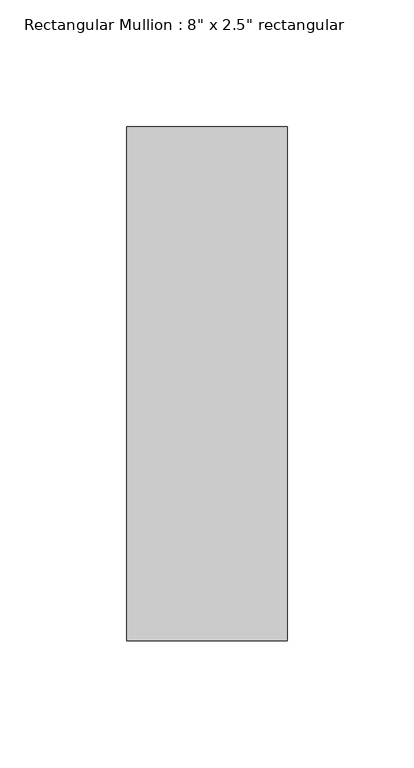
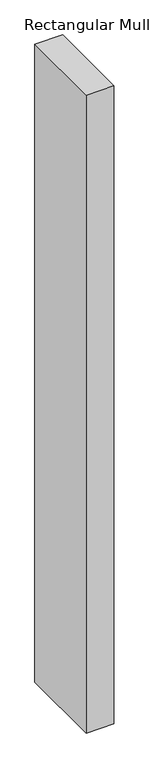
"""IFC4 building model written with IfcOpenShell, lengths in millimetres: member geometry."""

from ifc_helpers import new_model, si_unit, frame, origin, place, context, project, spatial, polyline, outline, extrude, source, transform, mapped, element, save


def member_24b12d42(model_context):
    return source(origin(), model_context, "Body", "SweptSolid", [
        extrude(outline(polyline([(31.75, 114.3), (31.75, -88.9), (-31.75, -88.9), (-31.75, 114.3), (31.75, 114.3)])), frame((0.0, 0.0, -1542.55), z_axis=(0.0, 0.0, 1.0), x_axis=(1.0, 0.0, 0.0)), (0.0, 0.0, 1.0), 1542.55),
    ])


if __name__ == "__main__":
    model = new_model("IFC4")
    model_context = context("Model", 3, world=origin())
    ifc_project = project(units=[si_unit("LENGTHUNIT", "METRE", prefix="MILLI")], contexts=[model_context])
    site = spatial("IfcSite", under=ifc_project)
    building = spatial("IfcBuilding", under=site)
    placement = place(None, origin())
    member_shape = member_24b12d42(model_context)
    element("IfcMember", 1, ObjectType="Rectangular Mullion : 8\" x 2.5\" rectangular", at=placement, inside=building, context=model_context, shape_type="MappedRepresentation", body=[
        mapped(member_shape, transform((0.0, 0.0, 0.0), x_axis=(1.0, 0.0, 0.0), y_axis=(0.0, 1.0, 0.0), z_axis=(0.0, 0.0, 1.0))),
    ])
    save(model, "model.ifc")
